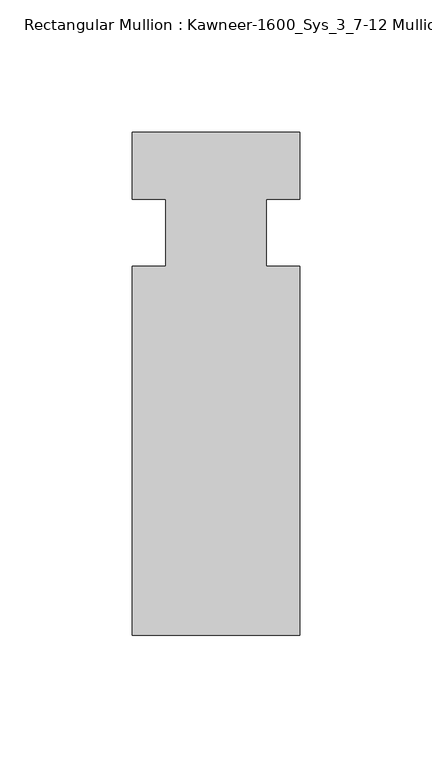
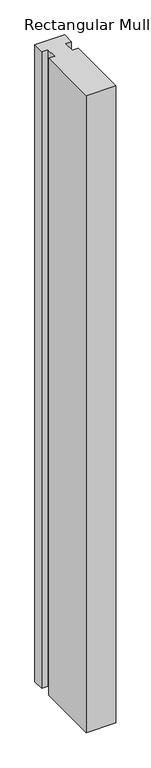
"""IFC4 building model written with IfcOpenShell, lengths in millimetres: member geometry, Rectangular Mullion : Kawneer-1600_Sys_3_7-12 Mullion_Horizontal."""

from ifc_helpers import new_model, si_unit, frame, origin, place, context, project, spatial, polyline, outline, extrude, source, transform, mapped, element, save


def rectangular_mullion_kawneer_1600_sys_3_7_12_mullion_971d8003(model_context):
    return source(origin(), model_context, "Body", "SweptSolid", [
        extrude(outline(polyline([(36.0844027, -152.4), (-27.4155973, -152.4), (-27.4155973, -12.7), (-14.7155973, -12.7), (-14.7155973, 12.7), (-27.4155973, 12.7), (-27.4155973, 38.1), (36.0844027, 38.1), (36.0844027, 12.7), (23.3826322, 12.7), (23.3826322, -12.7), (36.0844027, -12.7), (36.0844027, -152.4)])), frame((0.0, 0.0, -1445.7844027), z_axis=(0.0, 0.0, 1.0), x_axis=(1.0, 0.0, 0.0)), (0.0, 0.0, 1.0), 1445.7844027),
    ])


if __name__ == "__main__":
    model = new_model("IFC4")
    model_context = context("Model", 3, world=origin())
    ifc_project = project(units=[si_unit("LENGTHUNIT", "METRE", prefix="MILLI")], contexts=[model_context])
    site = spatial("IfcSite", under=ifc_project)
    building = spatial("IfcBuilding", under=site)
    placement = place(None, origin())
    rectangular_mullion_kawneer_1600_sys_3_7_12_mullion_shape = rectangular_mullion_kawneer_1600_sys_3_7_12_mullion_971d8003(model_context)
    element("IfcMember", 1, ObjectType="Rectangular Mullion : Kawneer-1600_Sys_3_7-12 Mullion_Horizontal", at=placement, inside=building, context=model_context, shape_type="MappedRepresentation", body=[
        mapped(rectangular_mullion_kawneer_1600_sys_3_7_12_mullion_shape, transform((0.0, 0.0, 0.0), x_axis=(1.0, 0.0, 0.0), y_axis=(0.0, 1.0, 0.0), z_axis=(0.0, 0.0, 1.0))),
    ])
    save(model, "model.ifc")
